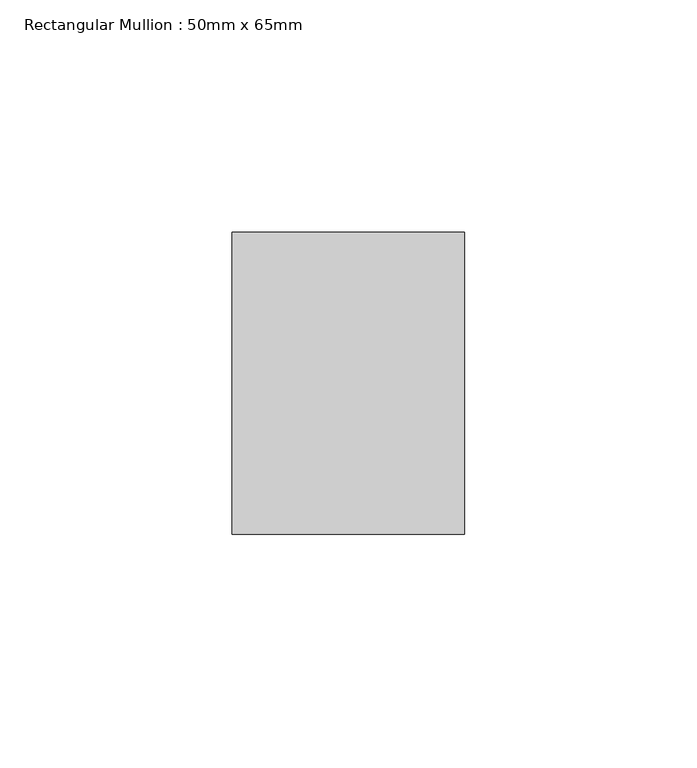
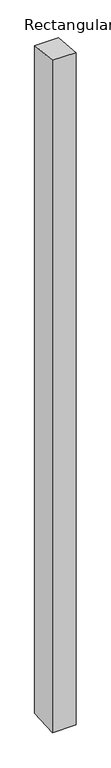
"""IFC4 building model written with IfcOpenShell, lengths in millimetres: member geometry, Rectangular Mullion : 50mm x 65mm."""

from ifc_helpers import new_model, si_unit, frame, origin, place, context, project, spatial, polyline, outline, extrude, source, transform, mapped, element, save


def rectangular_mullion_50mm_x_65mm_217d4225(model_context):
    return source(origin(), model_context, "Body", "SweptSolid", [
        extrude(outline(polyline([(-32.5, 3.1469351), (32.5, -3.1469349), (32.5, -1497.833453), (-32.5, -1502.1654069), (-32.5, 3.1469351)])), frame((-25.0, 0.0, 0.0), z_axis=(1.0, 0.0, 0.0), x_axis=(0.0, 1.0, 0.0)), (0.0, 0.0, 1.0), 50.0),
    ])


if __name__ == "__main__":
    model = new_model("IFC4")
    model_context = context("Model", 3, world=origin())
    ifc_project = project(units=[si_unit("LENGTHUNIT", "METRE", prefix="MILLI")], contexts=[model_context])
    site = spatial("IfcSite", under=ifc_project)
    building = spatial("IfcBuilding", under=site)
    placement = place(None, origin())
    rectangular_mullion_50mm_x_65mm_shape = rectangular_mullion_50mm_x_65mm_217d4225(model_context)
    element("IfcMember", 1, ObjectType="Rectangular Mullion : 50mm x 65mm", at=placement, inside=building, context=model_context, shape_type="MappedRepresentation", body=[
        mapped(rectangular_mullion_50mm_x_65mm_shape, transform((0.0, 0.0, 0.0), x_axis=(1.0, 0.0, 0.0), y_axis=(0.0, 1.0, 0.0), z_axis=(0.0, 0.0, 1.0))),
    ])
    save(model, "model.ifc")
